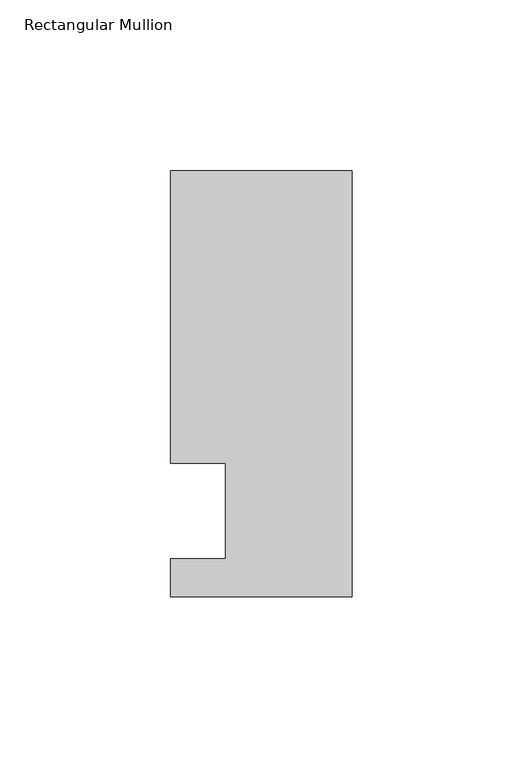
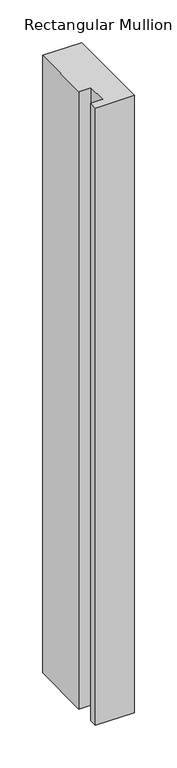
"""IFC4 building model written with IfcOpenShell, lengths in millimetres: member geometry, Rectangular Mullion."""

import ifcopenshell
import ifcopenshell.guid

model = None  # the IFC model being written
_history = None  # IfcOwnerHistory: only IFC2X3 demands one
_inside = {}  # id of a spatial element -> (the spatial element, [elements in it])
_under = {}  # id of a project, library or spatial element -> (it, [spatial elements below it])
_declared = {}  # id of a project -> (the project, [libraries it declares])
_typed = {}  # id of a type object -> (the type object, [elements of that type])
_made_of = {}  # id of a material, layer set ... -> (it, [elements and type objects made of it])


def new_model(schema):
    """Start an empty IFC model of exactly this schema.

    Asked for "IFC4X3", IfcOpenShell would pick the latest addendum, in which some entities
    have other attributes; the version numbers below select the first issue.
    IFC2X3 requires an IfcOwnerHistory on every rooted entity: one is made here for all.
    """
    global model, _history
    if schema == "IFC4X3":
        model = ifcopenshell.file(schema_version=(4, 3, 0, 0))
    else:
        model = ifcopenshell.file(schema=schema)
    _inside.clear()
    _under.clear()
    _declared.clear()
    _typed.clear()
    _made_of.clear()
    _history = None
    if model.schema == "IFC2X3":
        org = make("IfcOrganization", Name="unknown")
        user = make(
            "IfcPersonAndOrganization",
            ThePerson=make("IfcPerson", FamilyName="unknown"),
            TheOrganization=org,
        )
        app = make(
            "IfcApplication",
            ApplicationDeveloper=org,
            Version="unknown",
            ApplicationFullName="unknown",
            ApplicationIdentifier="unknown",
        )
        _history = make(
            "IfcOwnerHistory",
            OwningUser=user,
            OwningApplication=app,
            ChangeAction="ADDED",
            CreationDate=0,
        )
    return model


def make(cls, **values):
    """One entity of the class cls with the attributes given. An attribute that is None is left unset."""
    return model.create_entity(
        cls, **{name: value for name, value in values.items() if value is not None}
    )


def rooted(cls, **values):
    """An entity with a GlobalId (a new one), such as an element, a storey or a relation."""
    return make(cls, GlobalId=ifcopenshell.guid.new(), OwnerHistory=_history, **values)


def si_unit(unit_type, name, prefix=None):
    """IfcSIUnit, for example si_unit("LENGTHUNIT", "METRE", prefix="MILLI")."""
    return make("IfcSIUnit", UnitType=unit_type, Prefix=prefix, Name=name)


def assignment(units):
    """IfcUnitAssignment: the units of a project."""
    return None if units is None else make("IfcUnitAssignment", Units=units)


def point(xyz):
    """IfcCartesianPoint."""
    return None if xyz is None else make("IfcCartesianPoint", Coordinates=xyz)


def direction(xyz):
    """IfcDirection."""
    return None if xyz is None else make("IfcDirection", DirectionRatios=xyz)


def frame(location, z_axis=None, x_axis=None):
    """IfcAxis2Placement3D, a coordinate frame: its origin and axes. An axis left out is left unset."""
    return make(
        "IfcAxis2Placement3D",
        Location=point(location),
        Axis=direction(z_axis),
        RefDirection=direction(x_axis),
    )


def origin():
    """The frame at (0, 0, 0) with its axes left unset."""
    return frame((0.0, 0.0, 0.0))


def place(relative_to, where):
    """IfcLocalPlacement: puts the frame where relative to a parent placement (None: the world)."""
    return make(
        "IfcLocalPlacement", PlacementRelTo=relative_to, RelativePlacement=where
    )


def context(
    kind, dimensions, precision=None, world=None, true_north=None, identifier=None
):
    """IfcGeometricRepresentationContext, for example the 3D "Model" context."""
    return make(
        "IfcGeometricRepresentationContext",
        ContextIdentifier=identifier,
        ContextType=kind,
        CoordinateSpaceDimension=dimensions,
        Precision=precision,
        WorldCoordinateSystem=world,
        TrueNorth=true_north,
    )


def project(units=None, contexts=None):
    """IfcProject with its units and contexts."""
    return rooted(
        "IfcProject",
        Name="project",
        RepresentationContexts=contexts,
        UnitsInContext=assignment(units),
    )


def spatial(cls, under=None, at=None, **own):
    """A site, building, storey or space (cls), placed at a placement, below another one or the project."""
    s = rooted(cls, ObjectPlacement=at, **own)
    if under is not None:
        _under.setdefault(under.id(), (under, []))[1].append(s)
    return s


def polyline(points):
    """IfcPolyline through the points."""
    return make("IfcPolyline", Points=[point(p) for p in points])


def outline(outer, holes=None, kind="AREA"):
    """IfcArbitraryClosedProfileDef: a profile drawn as a closed curve; with holes, ...WithVoids."""
    if holes is None:
        return make("IfcArbitraryClosedProfileDef", ProfileType=kind, OuterCurve=outer)
    return make(
        "IfcArbitraryProfileDefWithVoids",
        ProfileType=kind,
        OuterCurve=outer,
        InnerCurves=holes,
    )


def extrude(swept, where, along, depth):
    """IfcExtrudedAreaSolid: the profile swept, set in the frame where, extruded along a direction by depth."""
    return make(
        "IfcExtrudedAreaSolid",
        SweptArea=swept,
        Position=where,
        ExtrudedDirection=direction(along),
        Depth=depth,
    )


def shape(context_of_items, identifier, shape_type, items):
    """IfcShapeRepresentation: the items that make up one representation, for example the "Body"."""
    return make(
        "IfcShapeRepresentation",
        ContextOfItems=context_of_items,
        RepresentationIdentifier=identifier,
        RepresentationType=shape_type,
        Items=items,
    )


def source(mapping_origin, context_of_items, identifier, shape_type, items):
    """IfcRepresentationMap: a shape defined once, which mapped items show again and again."""
    return make(
        "IfcRepresentationMap",
        MappingOrigin=mapping_origin,
        MappedRepresentation=shape(context_of_items, identifier, shape_type, items),
    )


def transform(
    local_origin,
    x_axis=None,
    y_axis=None,
    z_axis=None,
    scale=None,
    scale2=None,
    scale3=None,
    uniform=True,
):
    """IfcCartesianTransformationOperator3D, or its non-uniform kind. x_axis, y_axis, z_axis: its Axis1, 2, 3."""
    if uniform:
        return make(
            "IfcCartesianTransformationOperator3D",
            Axis1=direction(x_axis),
            Axis2=direction(y_axis),
            LocalOrigin=point(local_origin),
            Scale=scale,
            Axis3=direction(z_axis),
        )
    return make(
        "IfcCartesianTransformationOperator3DnonUniform",
        Axis1=direction(x_axis),
        Axis2=direction(y_axis),
        LocalOrigin=point(local_origin),
        Scale=scale,
        Axis3=direction(z_axis),
        Scale2=scale2,
        Scale3=scale3,
    )


def mapped(mapping_source, mapping_target):
    """IfcMappedItem: shows the shape of a source again, moved by a transform."""
    return make(
        "IfcMappedItem", MappingSource=mapping_source, MappingTarget=mapping_target
    )


def made_of(thing, what):
    """Note that an element or type object is made of a material, layer set ...; save() writes the relation."""
    if what is not None:
        _made_of.setdefault(what.id(), (what, []))[1].append(thing)
    return thing


def element(
    cls,
    number,
    at=None,
    inside=None,
    cuts=None,
    type_object=None,
    material=None,
    context=None,
    identifier="Body",
    shape_type=None,
    held_by="IfcProductDefinitionShape",
    body=None,
    shapes=None,
    **own,
):
    """One element of the class cls, such as IfcWall. Its Tag is "e" and its number.

    at: its placement. inside: the storey or other place that contains it. cuts: it is an
    opening in that element (IfcRelVoidsElement). A single representation is given by context,
    identifier, shape_type and body (its items); several are given by shapes. held_by: the class
    of the entity that holds the representations. save() writes the other relations.
    """
    e = rooted(cls, Tag="e%d" % number, ObjectPlacement=at, **own)
    if body is not None:
        shapes = [shape(context, identifier, shape_type, body)]
    if shapes is not None:
        e.Representation = make(held_by, Representations=shapes)
    if inside is not None:
        _inside.setdefault(inside.id(), (inside, []))[1].append(e)
    if cuts is not None:
        rooted(
            "IfcRelVoidsElement", RelatingBuildingElement=cuts, RelatedOpeningElement=e
        )
    if type_object is not None:
        _typed.setdefault(type_object.id(), (type_object, []))[1].append(e)
    return made_of(e, material)


def aggregate(whole, parts):
    """IfcRelAggregates: a whole, such as a stair, and the parts it consists of."""
    return rooted("IfcRelAggregates", RelatingObject=whole, RelatedObjects=parts)


def save(model, path):
    """Write the relations noted so far, then the file.

    IfcRelAggregates (storeys below a building ...), IfcRelContainedInSpatialStructure (elements
    in a storey), IfcRelDefinesByType, IfcRelAssociatesMaterial and IfcRelDeclares: one each for
    every whole, place, type object, material and project.
    """
    for whole, parts in _under.values():
        aggregate(whole, parts)
    for where, things in _inside.values():
        rooted(
            "IfcRelContainedInSpatialStructure",
            RelatedElements=things,
            RelatingStructure=where,
        )
    for kind, things in _typed.values():
        rooted("IfcRelDefinesByType", RelatedObjects=things, RelatingType=kind)
    for what, things in _made_of.values():
        rooted("IfcRelAssociatesMaterial", RelatedObjects=things, RelatingMaterial=what)
    for by, libraries in _declared.values():
        rooted("IfcRelDeclares", RelatingContext=by, RelatedDefinitions=libraries)
    model.write(path)


def rectangular_mullion_1fb8eca8(model_context):
    return source(origin(), model_context, "Body", "SweptSolid", [
        extrude(outline(polyline([(-37.0, -13.9999453), (-37.0, 14.0000547), (-53.0, 14.0000547), (-53.0, 99.5000547), (0.0, 99.5000547), (0.0, -24.9999453), (-53.0, -24.9999453), (-53.0, -13.9999453), (-37.0, -13.9999453)])), frame((0.0, 0.0, -886.4904905), z_axis=(0.0, 0.0, 1.0), x_axis=(1.0, 0.0, 0.0)), (0.0, 0.0, 1.0), 886.4904905),
    ])


if __name__ == "__main__":
    model = new_model("IFC4")
    model_context = context("Model", 3, world=origin())
    ifc_project = project(units=[si_unit("LENGTHUNIT", "METRE", prefix="MILLI")], contexts=[model_context])
    site = spatial("IfcSite", under=ifc_project)
    building = spatial("IfcBuilding", under=site)
    placement = place(None, origin())
    rectangular_mullion_shape = rectangular_mullion_1fb8eca8(model_context)
    element("IfcMember", 1, ObjectType="Rectangular Mullion", at=placement, inside=building, context=model_context, shape_type="MappedRepresentation", body=[
        mapped(rectangular_mullion_shape, transform((0.0, 0.0, 0.0), x_axis=(1.0, 0.0, 0.0), y_axis=(0.0, 1.0, 0.0), z_axis=(0.0, 0.0, 1.0))),
    ])
    save(model, "model.ifc")
